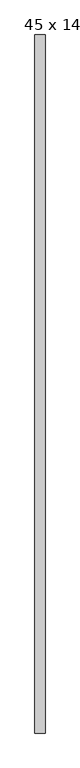
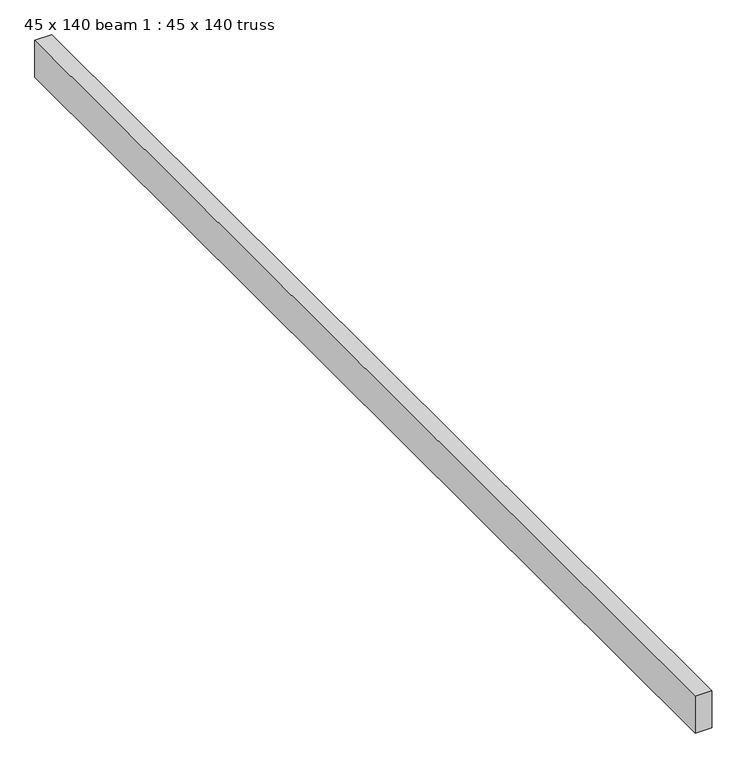
"""IFC4 building model written with IfcOpenShell, lengths in millimetres: proxy geometry, 45 x 140 beam 1 : 45 x 140 truss."""

from ifc_helpers import new_model, si_unit, frame, origin, place, context, project, spatial, polyline, outline, extrude, source, transform, mapped, element, save


def proxy_45_x_140_beam_1_45_x_140_truss_50576be4(model_context):
    return source(origin(), model_context, "Body", "SweptSolid", [
        extrude(outline(polyline([(-1161.2862215, -4546.9083503), (-1206.2862215, -4546.9083503), (-1206.2862215, -1456.9083503), (-1161.2862215, -1456.9083503), (-1161.2862215, -4546.9083503)])), frame((0.0, 0.0, 3679.1177703), z_axis=(0.0, 0.0, 1.0), x_axis=(1.0, 0.0, 0.0)), (0.0, 0.0, 1.0), 105.1275103),
    ])


if __name__ == "__main__":
    model = new_model("IFC4")
    model_context = context("Model", 3, world=origin())
    ifc_project = project(units=[si_unit("LENGTHUNIT", "METRE", prefix="MILLI")], contexts=[model_context])
    site = spatial("IfcSite", under=ifc_project)
    building = spatial("IfcBuilding", under=site)
    placement = place(None, origin())
    proxy_45_x_140_beam_1_45_x_140_truss_shape = proxy_45_x_140_beam_1_45_x_140_truss_50576be4(model_context)
    element("IfcBuildingElementProxy", 1, Name="45 x 140 beam 1 : 45 x 140 truss", ObjectType="45 x 140 beam 1 : 45 x 140 truss", at=placement, inside=building, context=model_context, shape_type="MappedRepresentation", body=[
        mapped(proxy_45_x_140_beam_1_45_x_140_truss_shape, transform((0.0, 0.0, 0.0), x_axis=(1.0, 0.0, 0.0), y_axis=(0.0, 1.0, 0.0), z_axis=(0.0, 0.0, 1.0))),
    ])
    save(model, "model.ifc")
